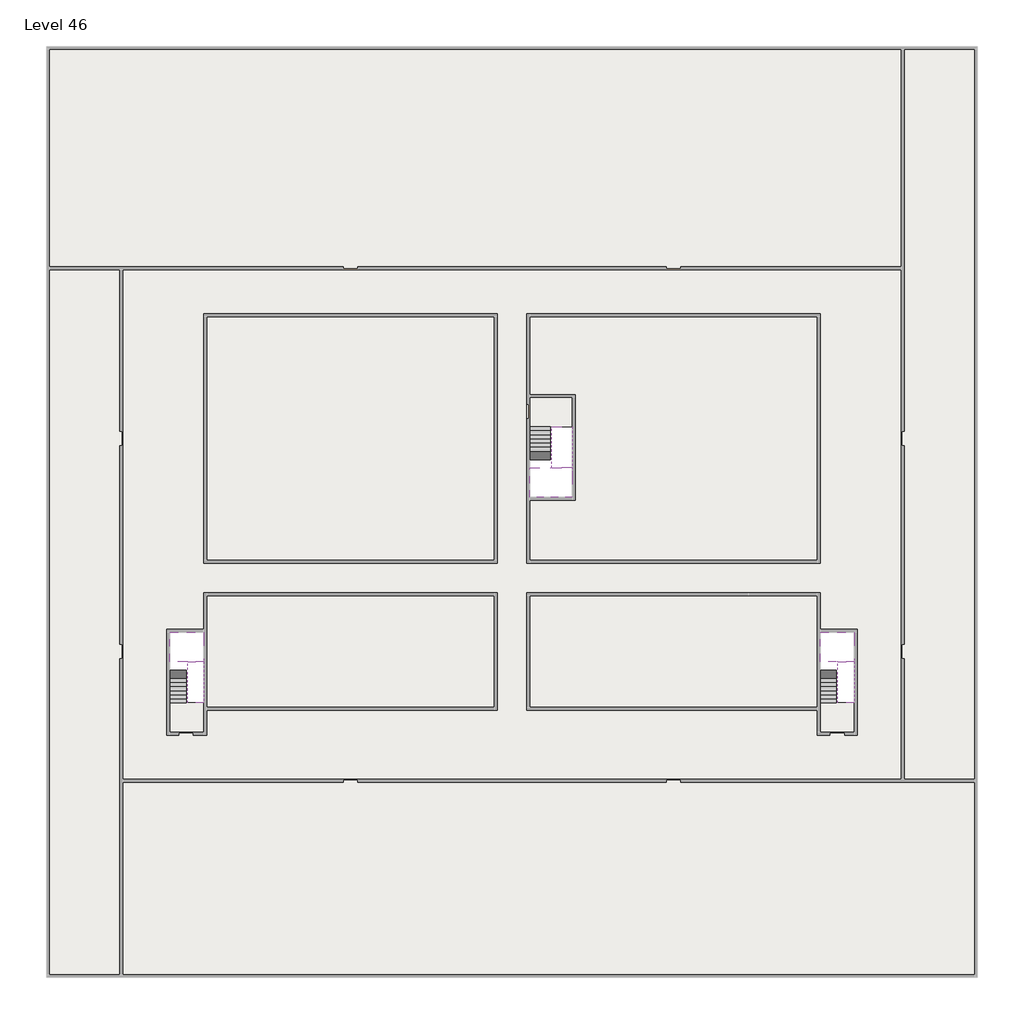
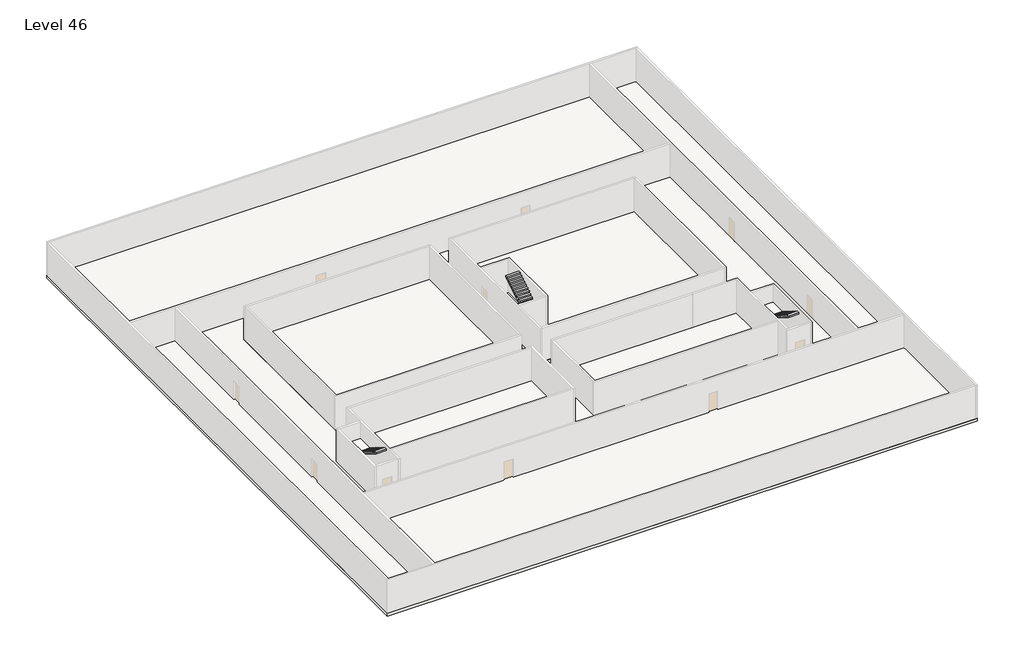
# One storey, part 2 of 2: 6 slabs, 6 stair flights.
"""IFC4 building model written with IfcOpenShell, lengths in millimetres."""

from ifc_helpers import new_model, si_unit, frame, origin, place, context, project, spatial, polyline, outline, extrude, faceted_brep, element, save

model = new_model("IFC4")

# Units and contexts
model_context = context("Model", 3, world=origin())
ifc_project = project(units=[si_unit("LENGTHUNIT", "METRE", prefix="MILLI")], contexts=[model_context])

# Site, building, storey
site = spatial("IfcSite", under=ifc_project)
building = spatial("IfcBuilding", under=site)
storey = spatial("IfcBuildingStorey", under=building, Name="Level 46", Elevation=171000.0)

# Slabs
placement = place(None, origin())
element("IfcSlab", 1, at=placement, inside=storey, context=model_context, shape_type="SweptSolid", body=[
    extrude(outline(polyline([(55890.1058784, -5518.09644), (55890.1058784, -68918.09644), (-7509.8941216, -68918.09644), (-7509.8941216, -5518.09644), (55890.1058784, -5518.09644)]), holes=[polyline([(23190.1058784, -23718.09644), (3190.1058784, -23718.09644), (3190.1058784, -40718.09644), (23190.1058784, -40718.09644), (23190.1058784, -23718.09644)]), polyline([(45190.1058784, -23718.09644), (25190.1058784, -23718.09644), (25190.1058784, -40718.09644), (45190.1058784, -40718.09644), (45190.1058784, -23718.09644)]), polyline([(23190.1058784, -42718.09644), (3390.1058784, -42718.09644), (3390.1058784, -45418.09644), (890.1058784, -45418.09644), (890.1058784, -52218.09644), (3190.1058784, -52218.09644), (3190.1058784, -50718.09644), (23190.1058784, -50718.09644), (23190.1058784, -42718.09644)]), polyline([(44990.1058784, -42718.09644), (25190.1058784, -42718.09644), (25190.1058784, -50718.09644), (45190.1058784, -50718.09644), (45190.1058784, -52218.09644), (47490.1058784, -52218.09644), (47490.1058784, -45418.09644), (44990.1058784, -45418.09644), (44990.1058784, -42718.09644)])]), frame((0.0, 0.0, 170700.0), z_axis=(0.0, 0.0, 1.0), x_axis=(1.0, 0.0, 0.0)), (0.0, 0.0, 1.0), 300.0),
])
element("IfcSlab", 2, at=placement, inside=storey, context=model_context, shape_type="Brep", body=[
    faceted_brep([(26790.1058784, -34218.09644, 172900.0), (25390.1058784, -34218.09644, 172900.0), (25390.1058784, -34297.4828763, 172900.0), (25390.1058784, -36218.09644, 172900.0), (28290.1058784, -36218.09644, 172900.0), (28290.1058784, -34418.7100038, 172900.0), (28290.1058784, -34218.09644, 172900.0), (26890.1058784, -34218.09644, 172900.0), (26790.1058784, -34218.09644, 172600.0), (26790.1058784, -34218.09644, 172551.0278478), (25390.1058784, -34218.09644, 172551.0278478), (25390.1058784, -34218.09644, 172727.2727273), (25390.1058784, -34297.4828763, 172600.0), (25390.1058784, -36218.09644, 172600.0), (28290.1058784, -36218.09644, 172600.0), (28290.1058784, -34418.7100038, 172600.0), (28290.1058784, -34218.09644, 172723.7551205), (26890.1058784, -34218.09644, 172723.7551205), (26890.1058784, -34218.09644, 172600.0), (26890.1058784, -34418.7100038, 172600.0), (26790.1058784, -34297.4828763, 172600.0)], [[[0, 1, 2, 3, 4, 5, 6, 7]], [[1, 0, 8, 9, 10, 11]], [[1, 11, 10, 12, 13, 3, 2]], [[4, 3, 13, 14]], [[4, 14, 15, 16, 6, 5]], [[7, 6, 16, 17]], [[0, 7, 17, 18, 8]], [[18, 19, 15, 14, 13, 12, 20, 8]], [[19, 18, 17]], [[20, 12, 10, 9]], [[8, 20, 9]], [[15, 19, 17, 16]]]),
])
element("IfcSlab", 3, at=placement, inside=storey, context=model_context, shape_type="Brep", body=[
    faceted_brep([(45190.1058784, -47418.09644, 172900.0), (46290.1058784, -47418.09644, 172900.0), (46390.1058784, -47418.09644, 172900.0), (47490.1058784, -47418.09644, 172900.0), (47490.1058784, -47217.4828763, 172900.0), (47490.1058784, -45418.09644, 172900.0), (45190.1058784, -45418.09644, 172900.0), (45190.1058784, -47338.7100038, 172900.0), (45190.1058784, -47418.09644, 172727.2727273), (45190.1058784, -47418.09644, 172551.0278478), (46290.1058784, -47418.09644, 172551.0278478), (46290.1058784, -47418.09644, 172600.0), (46390.1058784, -47418.09644, 172600.0), (46390.1058784, -47418.09644, 172723.7551205), (47490.1058784, -47418.09644, 172723.7551205), (47490.1058784, -47217.4828763, 172600.0), (47490.1058784, -45418.09644, 172600.0), (45190.1058784, -45418.09644, 172600.0), (45190.1058784, -47338.7100038, 172600.0), (46390.1058784, -47217.4828763, 172600.0), (46290.1058784, -47338.7100038, 172600.0)], [[[0, 1, 2, 3, 4, 5, 6, 7]], [[1, 0, 8, 9, 10, 11]], [[2, 1, 11, 12, 13]], [[3, 2, 13, 14]], [[3, 14, 15, 16, 5, 4]], [[6, 5, 16, 17]], [[9, 8, 0, 7, 6, 17, 18]], [[19, 12, 11, 20, 18, 17, 16, 15]], [[12, 19, 13]], [[18, 20, 10, 9]], [[20, 11, 10]], [[19, 15, 14, 13]]]),
])
element("IfcSlab", 4, at=placement, inside=storey, context=model_context, shape_type="Brep", body=[
    faceted_brep([(890.1058784, -47418.09644, 172900.0), (1990.1058784, -47418.09644, 172900.0), (2090.1058784, -47418.09644, 172900.0), (3190.1058784, -47418.09644, 172900.0), (3190.1058784, -47217.4828763, 172900.0), (3190.1058784, -45418.09644, 172900.0), (890.1058784, -45418.09644, 172900.0), (890.1058784, -47338.7100038, 172900.0), (890.1058784, -47418.09644, 172727.2727273), (890.1058784, -47418.09644, 172551.0278478), (1990.1058784, -47418.09644, 172551.0278478), (1990.1058784, -47418.09644, 172600.0), (2090.1058784, -47418.09644, 172600.0), (2090.1058784, -47418.09644, 172723.7551205), (3190.1058784, -47418.09644, 172723.7551205), (3190.1058784, -47217.4828763, 172600.0), (3190.1058784, -45418.09644, 172600.0), (890.1058784, -45418.09644, 172600.0), (890.1058784, -47338.7100038, 172600.0), (2090.1058784, -47217.4828763, 172600.0), (1990.1058784, -47338.7100038, 172600.0)], [[[0, 1, 2, 3, 4, 5, 6, 7]], [[1, 0, 8, 9, 10, 11]], [[2, 1, 11, 12, 13]], [[3, 2, 13, 14]], [[3, 14, 15, 16, 5, 4]], [[6, 5, 16, 17]], [[9, 8, 0, 7, 6, 17, 18]], [[19, 12, 11, 20, 18, 17, 16, 15]], [[12, 19, 13]], [[18, 20, 10, 9]], [[20, 11, 10]], [[19, 15, 14, 13]]]),
])
element("IfcSlab", 5, at=placement, inside=storey, context=model_context, shape_type="SweptSolid", body=[
    extrude(outline(polyline([(22990.1058784, -23918.09644), (22990.1058784, -40518.09644), (3390.1058784, -40518.09644), (3390.1058784, -23918.09644), (22990.1058784, -23918.09644)])), frame((0.0, 0.0, 170700.0), z_axis=(0.0, 0.0, 1.0), x_axis=(1.0, 0.0, 0.0)), (0.0, 0.0, 1.0), 300.0),
    extrude(outline(polyline([(44990.1058784, -23918.09644), (44990.1058784, -40518.09644), (25390.1058784, -40518.09644), (25390.1058784, -36418.09644), (28490.1058784, -36418.09644), (28490.1058784, -29218.09644), (25390.1058784, -29218.09644), (25390.1058784, -23918.09644), (44990.1058784, -23918.09644)])), frame((0.0, 0.0, 170700.0), z_axis=(0.0, 0.0, 1.0), x_axis=(1.0, 0.0, 0.0)), (0.0, 0.0, 1.0), 300.0),
    extrude(outline(polyline([(22990.1058784, -42918.09644), (22990.1058784, -50518.09644), (3390.1058784, -50518.09644), (3390.1058784, -42918.09644), (22990.1058784, -42918.09644)])), frame((0.0, 0.0, 170700.0), z_axis=(0.0, 0.0, 1.0), x_axis=(1.0, 0.0, 0.0)), (0.0, 0.0, 1.0), 300.0),
    extrude(outline(polyline([(44990.1058784, -42918.09644), (44990.1058784, -50518.09644), (25390.1058784, -50518.09644), (25390.1058784, -42918.09644), (44990.1058784, -42918.09644)])), frame((0.0, 0.0, 170700.0), z_axis=(0.0, 0.0, 1.0), x_axis=(1.0, 0.0, 0.0)), (0.0, 0.0, 1.0), 300.0),
])
element("IfcSlab", 6, at=placement, inside=storey, context=model_context, shape_type="SweptSolid", body=[
    extrude(outline(polyline([(28290.1058784, -29418.09644), (28290.1058784, -31418.09644), (25190.1058784, -31418.09644), (25190.1058784, -29418.09644), (28290.1058784, -29418.09644)])), frame((0.0, 0.0, 170700.0), z_axis=(0.0, 0.0, 1.0), x_axis=(1.0, 0.0, 0.0)), (0.0, 0.0, 1.0), 300.0),
    extrude(outline(polyline([(3190.1058784, -50218.09644), (3190.1058784, -52218.09644), (890.1058784, -52218.09644), (890.1058784, -50218.09644), (3190.1058784, -50218.09644)])), frame((0.0, 0.0, 170700.0), z_axis=(0.0, 0.0, 1.0), x_axis=(1.0, 0.0, 0.0)), (0.0, 0.0, 1.0), 300.0),
    extrude(outline(polyline([(47490.1058784, -50218.09644), (47490.1058784, -52218.09644), (45190.1058784, -52218.09644), (45190.1058784, -50218.09644), (47490.1058784, -50218.09644)])), frame((0.0, 0.0, 170700.0), z_axis=(0.0, 0.0, 1.0), x_axis=(1.0, 0.0, 0.0)), (0.0, 0.0, 1.0), 300.0),
])

# Stair flights
element("IfcStairFlight", 7, at=placement, inside=storey, context=model_context, shape_type="Brep", body=[
    faceted_brep([(26790.1058784, -31698.09644, 171172.7272727), (26790.1058784, -31418.09644, 171172.7272727), (25390.1058784, -31418.09644, 171172.7272727), (25390.1058784, -31698.09644, 171172.7272727), (26790.1058784, -31698.09644, 171000.0), (26790.1058784, -31418.09644, 171000.0), (25390.1058784, -31418.09644, 171000.0), (25390.1058784, -31698.09644, 171000.0), (26790.1058784, -31978.09644, 171345.4545455), (26790.1058784, -31698.09644, 171345.4545455), (25390.1058784, -31698.09644, 171345.4545455), (25390.1058784, -31978.09644, 171345.4545455), (26790.1058784, -31978.09644, 171169.209666), (26790.1058784, -31703.7986657, 171000.0), (25390.1058784, -31703.7986657, 171000.0), (25390.1058784, -31978.09644, 171169.209666), (26790.1058784, -32258.09644, 171518.1818182), (26790.1058784, -31978.09644, 171518.1818182), (25390.1058784, -31978.09644, 171518.1818182), (25390.1058784, -32258.09644, 171518.1818182), (26790.1058784, -32258.09644, 171341.9369387), (25390.1058784, -32258.09644, 171341.9369387), (26790.1058784, -32538.09644, 171690.9090909), (26790.1058784, -32258.09644, 171690.9090909), (25390.1058784, -32258.09644, 171690.9090909), (25390.1058784, -32538.09644, 171690.9090909), (26790.1058784, -32538.09644, 171514.6642114), (25390.1058784, -32538.09644, 171514.6642114), (26790.1058784, -32818.09644, 171863.6363636), (26790.1058784, -32538.09644, 171863.6363636), (25390.1058784, -32538.09644, 171863.6363636), (25390.1058784, -32818.09644, 171863.6363636), (26790.1058784, -32818.09644, 171687.3914841), (25390.1058784, -32818.09644, 171687.3914841), (26790.1058784, -33098.09644, 172036.3636364), (26790.1058784, -32818.09644, 172036.3636364), (25390.1058784, -32818.09644, 172036.3636364), (25390.1058784, -33098.09644, 172036.3636364), (26790.1058784, -33098.09644, 171860.1187569), (25390.1058784, -33098.09644, 171860.1187569), (26790.1058784, -33378.09644, 172209.0909091), (26790.1058784, -33098.09644, 172209.0909091), (25390.1058784, -33098.09644, 172209.0909091), (25390.1058784, -33378.09644, 172209.0909091), (26790.1058784, -33378.09644, 172032.8460296), (25390.1058784, -33378.09644, 172032.8460296), (26790.1058784, -33658.09644, 172381.8181818), (26790.1058784, -33378.09644, 172381.8181818), (25390.1058784, -33378.09644, 172381.8181818), (25390.1058784, -33658.09644, 172381.8181818), (26790.1058784, -33658.09644, 172205.5733023), (25390.1058784, -33658.09644, 172205.5733023), (26790.1058784, -33938.09644, 172554.5454545), (26790.1058784, -33658.09644, 172554.5454545), (25390.1058784, -33658.09644, 172554.5454545), (25390.1058784, -33938.09644, 172554.5454545), (26790.1058784, -33938.09644, 172378.3005751), (25390.1058784, -33938.09644, 172378.3005751), (26790.1058784, -34218.09644, 172727.2727273), (26790.1058784, -33938.09644, 172727.2727273), (25390.1058784, -33938.09644, 172727.2727273), (25390.1058784, -34218.09644, 172727.2727273), (26790.1058784, -34218.09644, 172600.0), (26790.1058784, -34218.09644, 172551.0278478), (25390.1058784, -34218.09644, 172551.0278478)], [[[0, 1, 2, 3]], [[1, 0, 4, 5]], [[2, 1, 5, 6]], [[3, 2, 6, 7]], [[8, 9, 10, 11]], [[4, 0, 9, 8, 12, 13]], [[0, 3, 10, 9]], [[3, 7, 14, 15, 11, 10]], [[16, 17, 18, 19]], [[17, 16, 20, 12, 8]], [[8, 11, 18, 17]], [[19, 18, 11, 15, 21]], [[22, 23, 24, 25]], [[23, 22, 26, 20, 16]], [[16, 19, 24, 23]], [[25, 24, 19, 21, 27]], [[28, 29, 30, 31]], [[29, 28, 32, 26, 22]], [[22, 25, 30, 29]], [[31, 30, 25, 27, 33]], [[34, 35, 36, 37]], [[35, 34, 38, 32, 28]], [[28, 31, 36, 35]], [[37, 36, 31, 33, 39]], [[40, 41, 42, 43]], [[41, 40, 44, 38, 34]], [[34, 37, 42, 41]], [[43, 42, 37, 39, 45]], [[46, 47, 48, 49]], [[47, 46, 50, 44, 40]], [[40, 43, 48, 47]], [[49, 48, 43, 45, 51]], [[52, 53, 54, 55]], [[53, 52, 56, 50, 46]], [[46, 49, 54, 53]], [[55, 54, 49, 51, 57]], [[58, 59, 60, 61]], [[59, 58, 62, 63, 56, 52]], [[52, 55, 60, 59]], [[61, 60, 55, 57, 64]], [[58, 61, 64, 63, 62]], [[5, 4, 13, 14, 7, 6]], [[14, 13, 12, 20, 26, 32, 38, 44, 50, 56, 63, 64, 57, 51, 45, 39, 33, 27, 21, 15]]]),
])
element("IfcStairFlight", 8, at=placement, inside=storey, context=model_context, shape_type="Brep", body=[
    faceted_brep([(26890.1058784, -33938.09644, 173072.7272727), (26890.1058784, -34218.09644, 173072.7272727), (28290.1058784, -34218.09644, 173072.7272727), (28290.1058784, -33938.09644, 173072.7272727), (26890.1058784, -33938.09644, 172896.4823932), (26890.1058784, -34218.09644, 172723.7551205), (28290.1058784, -34218.09644, 172723.7551205), (28290.1058784, -34218.09644, 172900.0), (28290.1058784, -33938.09644, 172896.4823932), (26890.1058784, -33658.09644, 173245.4545455), (26890.1058784, -33938.09644, 173245.4545455), (28290.1058784, -33938.09644, 173245.4545455), (28290.1058784, -33658.09644, 173245.4545455), (26890.1058784, -33658.09644, 173069.209666), (28290.1058784, -33658.09644, 173069.209666), (26890.1058784, -33378.09644, 173418.1818182), (26890.1058784, -33658.09644, 173418.1818182), (28290.1058784, -33658.09644, 173418.1818182), (28290.1058784, -33378.09644, 173418.1818182), (26890.1058784, -33378.09644, 173241.9369387), (28290.1058784, -33378.09644, 173241.9369387), (26890.1058784, -33098.09644, 173590.9090909), (26890.1058784, -33378.09644, 173590.9090909), (28290.1058784, -33378.09644, 173590.9090909), (28290.1058784, -33098.09644, 173590.9090909), (26890.1058784, -33098.09644, 173414.6642114), (28290.1058784, -33098.09644, 173414.6642114), (26890.1058784, -32818.09644, 173763.6363636), (26890.1058784, -33098.09644, 173763.6363636), (28290.1058784, -33098.09644, 173763.6363636), (28290.1058784, -32818.09644, 173763.6363636), (26890.1058784, -32818.09644, 173587.3914841), (28290.1058784, -32818.09644, 173587.3914841), (26890.1058784, -32538.09644, 173936.3636364), (26890.1058784, -32818.09644, 173936.3636364), (28290.1058784, -32818.09644, 173936.3636364), (28290.1058784, -32538.09644, 173936.3636364), (26890.1058784, -32538.09644, 173760.1187569), (28290.1058784, -32538.09644, 173760.1187569), (26890.1058784, -32258.09644, 174109.0909091), (26890.1058784, -32538.09644, 174109.0909091), (28290.1058784, -32538.09644, 174109.0909091), (28290.1058784, -32258.09644, 174109.0909091), (26890.1058784, -32258.09644, 173932.8460296), (28290.1058784, -32258.09644, 173932.8460296), (26890.1058784, -31978.09644, 174281.8181818), (26890.1058784, -32258.09644, 174281.8181818), (28290.1058784, -32258.09644, 174281.8181818), (28290.1058784, -31978.09644, 174281.8181818), (26890.1058784, -31978.09644, 174105.5733023), (28290.1058784, -31978.09644, 174105.5733023), (26890.1058784, -31698.09644, 174454.5454545), (26890.1058784, -31978.09644, 174454.5454545), (28290.1058784, -31978.09644, 174454.5454545), (28290.1058784, -31698.09644, 174454.5454545), (26890.1058784, -31698.09644, 174278.3005751), (28290.1058784, -31698.09644, 174278.3005751), (26890.1058784, -31418.09644, 174627.2727273), (26890.1058784, -31698.09644, 174627.2727273), (28290.1058784, -31698.09644, 174627.2727273), (28290.1058784, -31418.09644, 174627.2727273), (26890.1058784, -31418.09644, 174451.0278478), (28290.1058784, -31418.09644, 174451.0278478)], [[[0, 1, 2, 3]], [[1, 0, 4, 5]], [[2, 1, 5, 6, 7]], [[3, 2, 7, 6, 8]], [[9, 10, 11, 12]], [[10, 9, 13, 4, 0]], [[11, 10, 0, 3]], [[12, 11, 3, 8, 14]], [[15, 16, 17, 18]], [[16, 15, 19, 13, 9]], [[17, 16, 9, 12]], [[18, 17, 12, 14, 20]], [[21, 22, 23, 24]], [[22, 21, 25, 19, 15]], [[23, 22, 15, 18]], [[24, 23, 18, 20, 26]], [[27, 28, 29, 30]], [[28, 27, 31, 25, 21]], [[29, 28, 21, 24]], [[30, 29, 24, 26, 32]], [[33, 34, 35, 36]], [[34, 33, 37, 31, 27]], [[35, 34, 27, 30]], [[36, 35, 30, 32, 38]], [[39, 40, 41, 42]], [[40, 39, 43, 37, 33]], [[41, 40, 33, 36]], [[42, 41, 36, 38, 44]], [[45, 46, 47, 48]], [[46, 45, 49, 43, 39]], [[47, 46, 39, 42]], [[48, 47, 42, 44, 50]], [[51, 52, 53, 54]], [[52, 51, 55, 49, 45]], [[53, 52, 45, 48]], [[54, 53, 48, 50, 56]], [[57, 58, 59, 60]], [[58, 57, 61, 55, 51]], [[59, 58, 51, 54]], [[60, 59, 54, 56, 62]], [[57, 60, 62, 61]], [[5, 4, 13, 19, 25, 31, 37, 43, 49, 55, 61, 62, 56, 50, 44, 38, 32, 26, 20, 14, 8, 6]]]),
])
element("IfcStairFlight", 9, at=placement, inside=storey, context=model_context, shape_type="Brep", body=[
    faceted_brep([(45190.1058784, -49938.09644, 171172.7272727), (45190.1058784, -50218.09644, 171172.7272727), (46290.1058784, -50218.09644, 171172.7272727), (46290.1058784, -49938.09644, 171172.7272727), (45190.1058784, -49938.09644, 171000.0), (45190.1058784, -50218.09644, 171000.0), (46290.1058784, -50218.09644, 171000.0), (46290.1058784, -49938.09644, 171000.0), (45190.1058784, -49658.09644, 171345.4545455), (45190.1058784, -49938.09644, 171345.4545455), (46290.1058784, -49938.09644, 171345.4545455), (46290.1058784, -49658.09644, 171345.4545455), (45190.1058784, -49658.09644, 171169.209666), (45190.1058784, -49932.3942143, 171000.0), (46290.1058784, -49932.3942143, 171000.0), (46290.1058784, -49658.09644, 171169.209666), (45190.1058784, -49378.09644, 171518.1818182), (45190.1058784, -49658.09644, 171518.1818182), (46290.1058784, -49658.09644, 171518.1818182), (46290.1058784, -49378.09644, 171518.1818182), (45190.1058784, -49378.09644, 171341.9369387), (46290.1058784, -49378.09644, 171341.9369387), (45190.1058784, -49098.09644, 171690.9090909), (45190.1058784, -49378.09644, 171690.9090909), (46290.1058784, -49378.09644, 171690.9090909), (46290.1058784, -49098.09644, 171690.9090909), (45190.1058784, -49098.09644, 171514.6642114), (46290.1058784, -49098.09644, 171514.6642114), (45190.1058784, -48818.09644, 171863.6363636), (45190.1058784, -49098.09644, 171863.6363636), (46290.1058784, -49098.09644, 171863.6363636), (46290.1058784, -48818.09644, 171863.6363636), (45190.1058784, -48818.09644, 171687.3914841), (46290.1058784, -48818.09644, 171687.3914841), (45190.1058784, -48538.09644, 172036.3636364), (45190.1058784, -48818.09644, 172036.3636364), (46290.1058784, -48818.09644, 172036.3636364), (46290.1058784, -48538.09644, 172036.3636364), (45190.1058784, -48538.09644, 171860.1187569), (46290.1058784, -48538.09644, 171860.1187569), (45190.1058784, -48258.09644, 172209.0909091), (45190.1058784, -48538.09644, 172209.0909091), (46290.1058784, -48538.09644, 172209.0909091), (46290.1058784, -48258.09644, 172209.0909091), (45190.1058784, -48258.09644, 172032.8460296), (46290.1058784, -48258.09644, 172032.8460296), (45190.1058784, -47978.09644, 172381.8181818), (45190.1058784, -48258.09644, 172381.8181818), (46290.1058784, -48258.09644, 172381.8181818), (46290.1058784, -47978.09644, 172381.8181818), (45190.1058784, -47978.09644, 172205.5733023), (46290.1058784, -47978.09644, 172205.5733023), (45190.1058784, -47698.09644, 172554.5454545), (45190.1058784, -47978.09644, 172554.5454545), (46290.1058784, -47978.09644, 172554.5454545), (46290.1058784, -47698.09644, 172554.5454545), (45190.1058784, -47698.09644, 172378.3005751), (46290.1058784, -47698.09644, 172378.3005751), (45190.1058784, -47418.09644, 172727.2727273), (45190.1058784, -47698.09644, 172727.2727273), (46290.1058784, -47698.09644, 172727.2727273), (46290.1058784, -47418.09644, 172727.2727273), (45190.1058784, -47418.09644, 172551.0278478), (46290.1058784, -47418.09644, 172551.0278478), (46290.1058784, -47418.09644, 172600.0)], [[[0, 1, 2, 3]], [[1, 0, 4, 5]], [[2, 1, 5, 6]], [[3, 2, 6, 7]], [[8, 9, 10, 11]], [[4, 0, 9, 8, 12, 13]], [[0, 3, 10, 9]], [[3, 7, 14, 15, 11, 10]], [[16, 17, 18, 19]], [[17, 16, 20, 12, 8]], [[8, 11, 18, 17]], [[19, 18, 11, 15, 21]], [[22, 23, 24, 25]], [[23, 22, 26, 20, 16]], [[16, 19, 24, 23]], [[25, 24, 19, 21, 27]], [[28, 29, 30, 31]], [[29, 28, 32, 26, 22]], [[22, 25, 30, 29]], [[31, 30, 25, 27, 33]], [[34, 35, 36, 37]], [[35, 34, 38, 32, 28]], [[28, 31, 36, 35]], [[37, 36, 31, 33, 39]], [[40, 41, 42, 43]], [[41, 40, 44, 38, 34]], [[34, 37, 42, 41]], [[43, 42, 37, 39, 45]], [[46, 47, 48, 49]], [[47, 46, 50, 44, 40]], [[40, 43, 48, 47]], [[49, 48, 43, 45, 51]], [[52, 53, 54, 55]], [[53, 52, 56, 50, 46]], [[46, 49, 54, 53]], [[55, 54, 49, 51, 57]], [[58, 59, 60, 61]], [[59, 58, 62, 56, 52]], [[52, 55, 60, 59]], [[61, 60, 55, 57, 63, 64]], [[58, 61, 64, 63, 62]], [[5, 4, 13, 14, 7, 6]], [[14, 13, 12, 20, 26, 32, 38, 44, 50, 56, 62, 63, 57, 51, 45, 39, 33, 27, 21, 15]]]),
])
element("IfcStairFlight", 10, at=placement, inside=storey, context=model_context, shape_type="Brep", body=[
    faceted_brep([(47490.1058784, -47698.09644, 173072.7272727), (47490.1058784, -47418.09644, 173072.7272727), (46390.1058784, -47418.09644, 173072.7272727), (46390.1058784, -47698.09644, 173072.7272727), (47490.1058784, -47698.09644, 172896.4823932), (47490.1058784, -47418.09644, 172723.7551205), (47490.1058784, -47418.09644, 172900.0), (46390.1058784, -47418.09644, 172723.7551205), (46390.1058784, -47698.09644, 172896.4823932), (47490.1058784, -47978.09644, 173245.4545455), (47490.1058784, -47698.09644, 173245.4545455), (46390.1058784, -47698.09644, 173245.4545455), (46390.1058784, -47978.09644, 173245.4545455), (47490.1058784, -47978.09644, 173069.209666), (46390.1058784, -47978.09644, 173069.209666), (47490.1058784, -48258.09644, 173418.1818182), (47490.1058784, -47978.09644, 173418.1818182), (46390.1058784, -47978.09644, 173418.1818182), (46390.1058784, -48258.09644, 173418.1818182), (47490.1058784, -48258.09644, 173241.9369387), (46390.1058784, -48258.09644, 173241.9369387), (47490.1058784, -48538.09644, 173590.9090909), (47490.1058784, -48258.09644, 173590.9090909), (46390.1058784, -48258.09644, 173590.9090909), (46390.1058784, -48538.09644, 173590.9090909), (47490.1058784, -48538.09644, 173414.6642114), (46390.1058784, -48538.09644, 173414.6642114), (47490.1058784, -48818.09644, 173763.6363636), (47490.1058784, -48538.09644, 173763.6363636), (46390.1058784, -48538.09644, 173763.6363636), (46390.1058784, -48818.09644, 173763.6363636), (47490.1058784, -48818.09644, 173587.3914841), (46390.1058784, -48818.09644, 173587.3914841), (47490.1058784, -49098.09644, 173936.3636364), (47490.1058784, -48818.09644, 173936.3636364), (46390.1058784, -48818.09644, 173936.3636364), (46390.1058784, -49098.09644, 173936.3636364), (47490.1058784, -49098.09644, 173760.1187569), (46390.1058784, -49098.09644, 173760.1187569), (47490.1058784, -49378.09644, 174109.0909091), (47490.1058784, -49098.09644, 174109.0909091), (46390.1058784, -49098.09644, 174109.0909091), (46390.1058784, -49378.09644, 174109.0909091), (47490.1058784, -49378.09644, 173932.8460296), (46390.1058784, -49378.09644, 173932.8460296), (47490.1058784, -49658.09644, 174281.8181818), (47490.1058784, -49378.09644, 174281.8181818), (46390.1058784, -49378.09644, 174281.8181818), (46390.1058784, -49658.09644, 174281.8181818), (47490.1058784, -49658.09644, 174105.5733023), (46390.1058784, -49658.09644, 174105.5733023), (47490.1058784, -49938.09644, 174454.5454545), (47490.1058784, -49658.09644, 174454.5454545), (46390.1058784, -49658.09644, 174454.5454545), (46390.1058784, -49938.09644, 174454.5454545), (47490.1058784, -49938.09644, 174278.3005751), (46390.1058784, -49938.09644, 174278.3005751), (47490.1058784, -50218.09644, 174627.2727273), (47490.1058784, -49938.09644, 174627.2727273), (46390.1058784, -49938.09644, 174627.2727273), (46390.1058784, -50218.09644, 174627.2727273), (47490.1058784, -50218.09644, 174451.0278478), (46390.1058784, -50218.09644, 174451.0278478)], [[[0, 1, 2, 3]], [[1, 0, 4, 5, 6]], [[2, 1, 6, 5, 7]], [[3, 2, 7, 8]], [[9, 10, 11, 12]], [[10, 9, 13, 4, 0]], [[11, 10, 0, 3]], [[12, 11, 3, 8, 14]], [[15, 16, 17, 18]], [[16, 15, 19, 13, 9]], [[17, 16, 9, 12]], [[18, 17, 12, 14, 20]], [[21, 22, 23, 24]], [[22, 21, 25, 19, 15]], [[23, 22, 15, 18]], [[24, 23, 18, 20, 26]], [[27, 28, 29, 30]], [[28, 27, 31, 25, 21]], [[29, 28, 21, 24]], [[30, 29, 24, 26, 32]], [[33, 34, 35, 36]], [[34, 33, 37, 31, 27]], [[35, 34, 27, 30]], [[36, 35, 30, 32, 38]], [[39, 40, 41, 42]], [[40, 39, 43, 37, 33]], [[41, 40, 33, 36]], [[42, 41, 36, 38, 44]], [[45, 46, 47, 48]], [[46, 45, 49, 43, 39]], [[47, 46, 39, 42]], [[48, 47, 42, 44, 50]], [[51, 52, 53, 54]], [[52, 51, 55, 49, 45]], [[53, 52, 45, 48]], [[54, 53, 48, 50, 56]], [[57, 58, 59, 60]], [[58, 57, 61, 55, 51]], [[59, 58, 51, 54]], [[60, 59, 54, 56, 62]], [[57, 60, 62, 61]], [[5, 4, 13, 19, 25, 31, 37, 43, 49, 55, 61, 62, 56, 50, 44, 38, 32, 26, 20, 14, 8, 7]]]),
])
element("IfcStairFlight", 11, at=placement, inside=storey, context=model_context, shape_type="Brep", body=[
    faceted_brep([(890.1058784, -49938.09644, 171172.7272727), (890.1058784, -50218.09644, 171172.7272727), (1990.1058784, -50218.09644, 171172.7272727), (1990.1058784, -49938.09644, 171172.7272727), (890.1058784, -49938.09644, 171000.0), (890.1058784, -50218.09644, 171000.0), (1990.1058784, -50218.09644, 171000.0), (1990.1058784, -49938.09644, 171000.0), (890.1058784, -49658.09644, 171345.4545455), (890.1058784, -49938.09644, 171345.4545455), (1990.1058784, -49938.09644, 171345.4545455), (1990.1058784, -49658.09644, 171345.4545455), (890.1058784, -49658.09644, 171169.209666), (890.1058784, -49932.3942143, 171000.0), (1990.1058784, -49932.3942143, 171000.0), (1990.1058784, -49658.09644, 171169.209666), (890.1058784, -49378.09644, 171518.1818182), (890.1058784, -49658.09644, 171518.1818182), (1990.1058784, -49658.09644, 171518.1818182), (1990.1058784, -49378.09644, 171518.1818182), (890.1058784, -49378.09644, 171341.9369387), (1990.1058784, -49378.09644, 171341.9369387), (890.1058784, -49098.09644, 171690.9090909), (890.1058784, -49378.09644, 171690.9090909), (1990.1058784, -49378.09644, 171690.9090909), (1990.1058784, -49098.09644, 171690.9090909), (890.1058784, -49098.09644, 171514.6642114), (1990.1058784, -49098.09644, 171514.6642114), (890.1058784, -48818.09644, 171863.6363636), (890.1058784, -49098.09644, 171863.6363636), (1990.1058784, -49098.09644, 171863.6363636), (1990.1058784, -48818.09644, 171863.6363636), (890.1058784, -48818.09644, 171687.3914841), (1990.1058784, -48818.09644, 171687.3914841), (890.1058784, -48538.09644, 172036.3636364), (890.1058784, -48818.09644, 172036.3636364), (1990.1058784, -48818.09644, 172036.3636364), (1990.1058784, -48538.09644, 172036.3636364), (890.1058784, -48538.09644, 171860.1187569), (1990.1058784, -48538.09644, 171860.1187569), (890.1058784, -48258.09644, 172209.0909091), (890.1058784, -48538.09644, 172209.0909091), (1990.1058784, -48538.09644, 172209.0909091), (1990.1058784, -48258.09644, 172209.0909091), (890.1058784, -48258.09644, 172032.8460296), (1990.1058784, -48258.09644, 172032.8460296), (890.1058784, -47978.09644, 172381.8181818), (890.1058784, -48258.09644, 172381.8181818), (1990.1058784, -48258.09644, 172381.8181818), (1990.1058784, -47978.09644, 172381.8181818), (890.1058784, -47978.09644, 172205.5733023), (1990.1058784, -47978.09644, 172205.5733023), (890.1058784, -47698.09644, 172554.5454545), (890.1058784, -47978.09644, 172554.5454545), (1990.1058784, -47978.09644, 172554.5454545), (1990.1058784, -47698.09644, 172554.5454545), (890.1058784, -47698.09644, 172378.3005751), (1990.1058784, -47698.09644, 172378.3005751), (890.1058784, -47418.09644, 172727.2727273), (890.1058784, -47698.09644, 172727.2727273), (1990.1058784, -47698.09644, 172727.2727273), (1990.1058784, -47418.09644, 172727.2727273), (890.1058784, -47418.09644, 172551.0278478), (1990.1058784, -47418.09644, 172551.0278478), (1990.1058784, -47418.09644, 172600.0)], [[[0, 1, 2, 3]], [[1, 0, 4, 5]], [[2, 1, 5, 6]], [[3, 2, 6, 7]], [[8, 9, 10, 11]], [[4, 0, 9, 8, 12, 13]], [[0, 3, 10, 9]], [[3, 7, 14, 15, 11, 10]], [[16, 17, 18, 19]], [[17, 16, 20, 12, 8]], [[8, 11, 18, 17]], [[19, 18, 11, 15, 21]], [[22, 23, 24, 25]], [[23, 22, 26, 20, 16]], [[16, 19, 24, 23]], [[25, 24, 19, 21, 27]], [[28, 29, 30, 31]], [[29, 28, 32, 26, 22]], [[22, 25, 30, 29]], [[31, 30, 25, 27, 33]], [[34, 35, 36, 37]], [[35, 34, 38, 32, 28]], [[28, 31, 36, 35]], [[37, 36, 31, 33, 39]], [[40, 41, 42, 43]], [[41, 40, 44, 38, 34]], [[34, 37, 42, 41]], [[43, 42, 37, 39, 45]], [[46, 47, 48, 49]], [[47, 46, 50, 44, 40]], [[40, 43, 48, 47]], [[49, 48, 43, 45, 51]], [[52, 53, 54, 55]], [[53, 52, 56, 50, 46]], [[46, 49, 54, 53]], [[55, 54, 49, 51, 57]], [[58, 59, 60, 61]], [[59, 58, 62, 56, 52]], [[52, 55, 60, 59]], [[61, 60, 55, 57, 63, 64]], [[58, 61, 64, 63, 62]], [[5, 4, 13, 14, 7, 6]], [[14, 13, 12, 20, 26, 32, 38, 44, 50, 56, 62, 63, 57, 51, 45, 39, 33, 27, 21, 15]]]),
])
element("IfcStairFlight", 12, at=placement, inside=storey, context=model_context, shape_type="Brep", body=[
    faceted_brep([(3190.1058784, -47698.09644, 173072.7272727), (3190.1058784, -47418.09644, 173072.7272727), (2090.1058784, -47418.09644, 173072.7272727), (2090.1058784, -47698.09644, 173072.7272727), (3190.1058784, -47698.09644, 172896.4823932), (3190.1058784, -47418.09644, 172723.7551205), (3190.1058784, -47418.09644, 172900.0), (2090.1058784, -47418.09644, 172723.7551205), (2090.1058784, -47698.09644, 172896.4823932), (3190.1058784, -47978.09644, 173245.4545455), (3190.1058784, -47698.09644, 173245.4545455), (2090.1058784, -47698.09644, 173245.4545455), (2090.1058784, -47978.09644, 173245.4545455), (3190.1058784, -47978.09644, 173069.209666), (2090.1058784, -47978.09644, 173069.209666), (3190.1058784, -48258.09644, 173418.1818182), (3190.1058784, -47978.09644, 173418.1818182), (2090.1058784, -47978.09644, 173418.1818182), (2090.1058784, -48258.09644, 173418.1818182), (3190.1058784, -48258.09644, 173241.9369387), (2090.1058784, -48258.09644, 173241.9369387), (3190.1058784, -48538.09644, 173590.9090909), (3190.1058784, -48258.09644, 173590.9090909), (2090.1058784, -48258.09644, 173590.9090909), (2090.1058784, -48538.09644, 173590.9090909), (3190.1058784, -48538.09644, 173414.6642114), (2090.1058784, -48538.09644, 173414.6642114), (3190.1058784, -48818.09644, 173763.6363636), (3190.1058784, -48538.09644, 173763.6363636), (2090.1058784, -48538.09644, 173763.6363636), (2090.1058784, -48818.09644, 173763.6363636), (3190.1058784, -48818.09644, 173587.3914841), (2090.1058784, -48818.09644, 173587.3914841), (3190.1058784, -49098.09644, 173936.3636364), (3190.1058784, -48818.09644, 173936.3636364), (2090.1058784, -48818.09644, 173936.3636364), (2090.1058784, -49098.09644, 173936.3636364), (3190.1058784, -49098.09644, 173760.1187569), (2090.1058784, -49098.09644, 173760.1187569), (3190.1058784, -49378.09644, 174109.0909091), (3190.1058784, -49098.09644, 174109.0909091), (2090.1058784, -49098.09644, 174109.0909091), (2090.1058784, -49378.09644, 174109.0909091), (3190.1058784, -49378.09644, 173932.8460296), (2090.1058784, -49378.09644, 173932.8460296), (3190.1058784, -49658.09644, 174281.8181818), (3190.1058784, -49378.09644, 174281.8181818), (2090.1058784, -49378.09644, 174281.8181818), (2090.1058784, -49658.09644, 174281.8181818), (3190.1058784, -49658.09644, 174105.5733023), (2090.1058784, -49658.09644, 174105.5733023), (3190.1058784, -49938.09644, 174454.5454545), (3190.1058784, -49658.09644, 174454.5454545), (2090.1058784, -49658.09644, 174454.5454545), (2090.1058784, -49938.09644, 174454.5454545), (3190.1058784, -49938.09644, 174278.3005751), (2090.1058784, -49938.09644, 174278.3005751), (3190.1058784, -50218.09644, 174627.2727273), (3190.1058784, -49938.09644, 174627.2727273), (2090.1058784, -49938.09644, 174627.2727273), (2090.1058784, -50218.09644, 174627.2727273), (3190.1058784, -50218.09644, 174451.0278478), (2090.1058784, -50218.09644, 174451.0278478)], [[[0, 1, 2, 3]], [[1, 0, 4, 5, 6]], [[2, 1, 6, 5, 7]], [[3, 2, 7, 8]], [[9, 10, 11, 12]], [[10, 9, 13, 4, 0]], [[11, 10, 0, 3]], [[12, 11, 3, 8, 14]], [[15, 16, 17, 18]], [[16, 15, 19, 13, 9]], [[17, 16, 9, 12]], [[18, 17, 12, 14, 20]], [[21, 22, 23, 24]], [[22, 21, 25, 19, 15]], [[23, 22, 15, 18]], [[24, 23, 18, 20, 26]], [[27, 28, 29, 30]], [[28, 27, 31, 25, 21]], [[29, 28, 21, 24]], [[30, 29, 24, 26, 32]], [[33, 34, 35, 36]], [[34, 33, 37, 31, 27]], [[35, 34, 27, 30]], [[36, 35, 30, 32, 38]], [[39, 40, 41, 42]], [[40, 39, 43, 37, 33]], [[41, 40, 33, 36]], [[42, 41, 36, 38, 44]], [[45, 46, 47, 48]], [[46, 45, 49, 43, 39]], [[47, 46, 39, 42]], [[48, 47, 42, 44, 50]], [[51, 52, 53, 54]], [[52, 51, 55, 49, 45]], [[53, 52, 45, 48]], [[54, 53, 48, 50, 56]], [[57, 58, 59, 60]], [[58, 57, 61, 55, 51]], [[59, 58, 51, 54]], [[60, 59, 54, 56, 62]], [[57, 60, 62, 61]], [[5, 4, 13, 19, 25, 31, 37, 43, 49, 55, 61, 62, 56, 50, 44, 38, 32, 26, 20, 14, 8, 7]]]),
])

save(model, "model.ifc")
